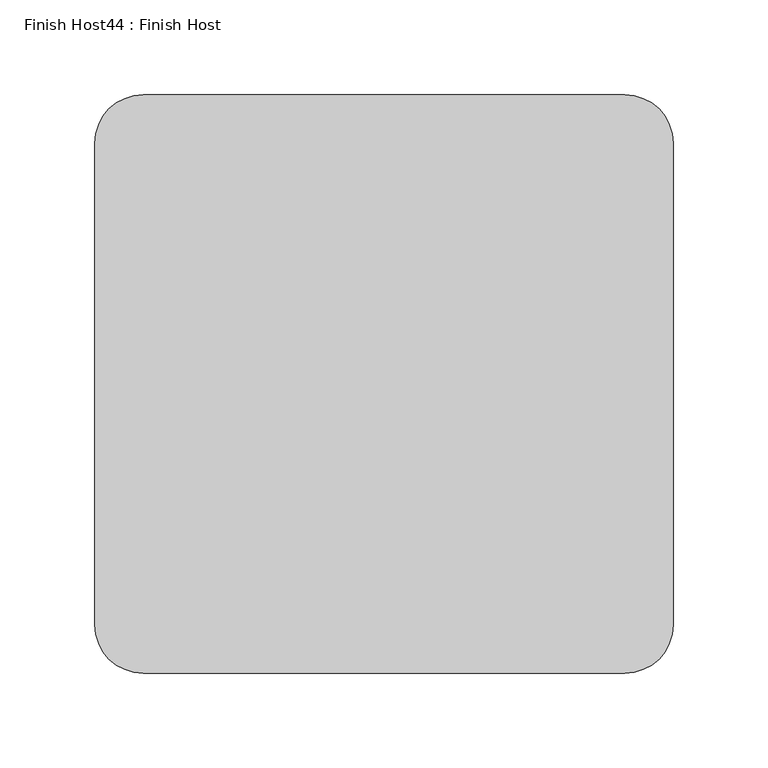
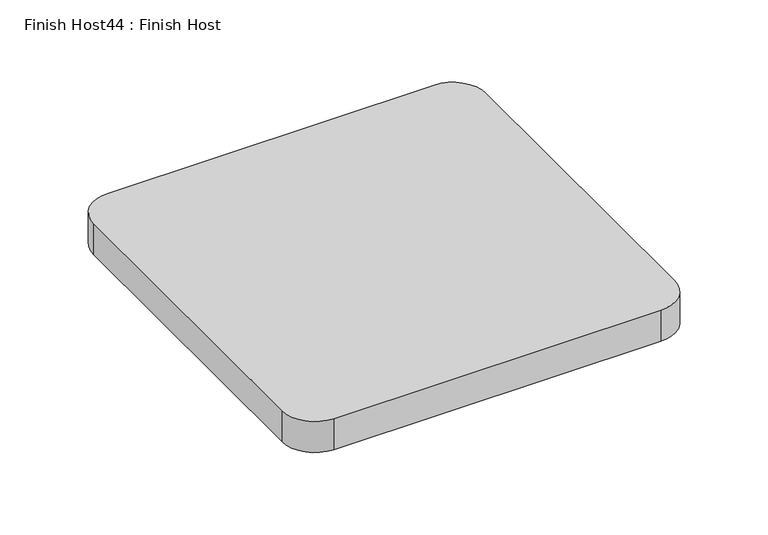
"""IFC4 building model written with IfcOpenShell, lengths in millimetres: proxy geometry, Finish Host44 : Finish Host."""

from ifc_helpers import new_model, si_unit, point, frame_2d, origin, origin_with_axes, place, context, project, spatial, polyline, circle_curve, trimmed, segment, composite_curve, outline, extrude, source, transform, mapped, element, save


def finish_host44_finish_host_0fc50547(model_context):
    return source(origin(), model_context, "Body", "SweptSolid", [
        extrude(outline(composite_curve([segment(polyline([(2308.6934426, 1206.8122951), (2308.6934426, 1460.8122951)]), True, "CONTINUOUS"), segment(trimmed(circle_curve(frame_2d((2334.0934426, 1460.8122951)), 25.4), [point((2308.6934426, 1460.8122951))], [point((2334.0934426, 1486.2122951))], False, "CARTESIAN"), True, "CONTINUOUS"), segment(polyline([(2334.0934426, 1486.2122951), (2588.0934426, 1486.2122951)]), True, "CONTINUOUS"), segment(trimmed(circle_curve(frame_2d((2588.0934426, 1460.8122951)), 25.4), [point((2588.0934426, 1486.2122951))], [point((2613.4934426, 1460.8122951))], False, "CARTESIAN"), True, "CONTINUOUS"), segment(polyline([(2613.4934426, 1460.8122951), (2613.4934426, 1206.8122951)]), True, "CONTINUOUS"), segment(trimmed(circle_curve(frame_2d((2588.0934426, 1206.8122951)), 25.4), [point((2613.4934426, 1206.8122951))], [point((2588.0934426, 1181.4122951))], False, "CARTESIAN"), True, "CONTINUOUS"), segment(polyline([(2588.0934426, 1181.4122951), (2334.0934426, 1181.4122951)]), True, "CONTINUOUS"), segment(trimmed(circle_curve(frame_2d((2334.0934426, 1206.8122951)), 25.4), [point((2334.0934426, 1181.4122951))], [point((2308.6934426, 1206.8122951))], False, "CARTESIAN"), True, "CONTINUOUS")], self_intersect=False)), origin_with_axes(), (0.0, 0.0, 1.0), 25.4),
    ])


if __name__ == "__main__":
    model = new_model("IFC4")
    model_context = context("Model", 3, world=origin())
    ifc_project = project(units=[si_unit("LENGTHUNIT", "METRE", prefix="MILLI")], contexts=[model_context])
    site = spatial("IfcSite", under=ifc_project)
    building = spatial("IfcBuilding", under=site)
    placement = place(None, origin())
    finish_host44_finish_host_shape = finish_host44_finish_host_0fc50547(model_context)
    element("IfcBuildingElementProxy", 1, Name="Finish Host44 : Finish Host", ObjectType="Finish Host44 : Finish Host", at=placement, inside=building, context=model_context, shape_type="MappedRepresentation", body=[
        mapped(finish_host44_finish_host_shape, transform((0.0, 0.0, 0.0), x_axis=(1.0, 0.0, 0.0), y_axis=(0.0, 1.0, 0.0), z_axis=(0.0, 0.0, 1.0))),
    ])
    save(model, "model.ifc")
